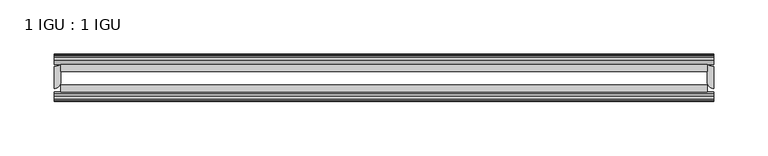
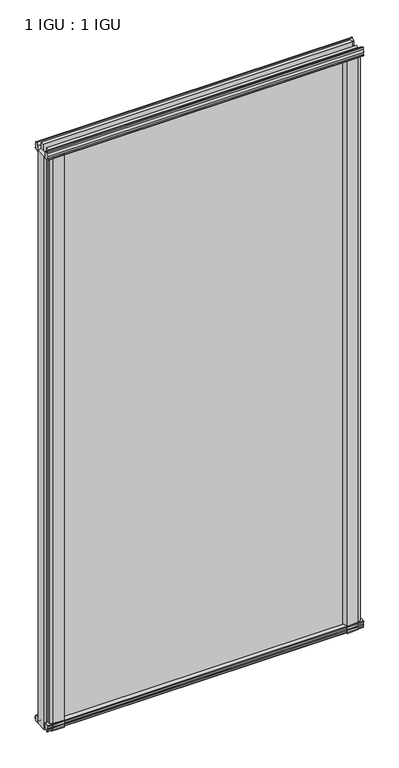
"""IFC4 building model written with IfcOpenShell, lengths in millimetres: plate geometry, 1 IGU : 1 IGU."""

from ifc_helpers import new_model, si_unit, point, frame, frame_2d, origin, place, context, project, spatial, polyline, circle_curve, trimmed, segment, composite_curve, outline, extrude, source, transform, mapped, element, save


def plate_1_igu_1_igu_d96a8cae(model_context):
    return source(origin(), model_context, "Body", "SweptSolid", [
        extrude(outline(composite_curve([segment(polyline([(-48.2151697, 1167.5411625), (-46.2339867, 1167.5411625), (-46.2339867, 1152.9057064), (-54.465925, 1154.0393419)]), True, "CONTINUOUS"), segment(trimmed(circle_curve(frame_2d((-54.3619697, 1154.7942176)), 0.762), [point((-54.465925, 1154.0393419))], [point((-55.1239697, 1154.7942176))], False, "CARTESIAN"), True, "CONTINUOUS"), segment(polyline([(-55.1239697, 1154.7942176), (-55.1239697, 1155.6539625), (-52.5839697, 1155.6539625), (-52.5839697, 1160.6069625), (-53.9897781, 1160.9836477), (-52.5839697, 1166.2301961), (-52.5839697, 1169.8779625), (-50.5519697, 1169.8779625)]), True, "CONTINUOUS"), segment(trimmed(circle_curve(frame_2d((-48.2151697, 1169.8779625)), 2.3368), [point((-50.5519697, 1169.8779625))], [point((-48.2151697, 1167.5411625))], True, "CARTESIAN"), True, "CONTINUOUS")], self_intersect=False)), frame((-304.8, 0.0, 0.0), z_axis=(1.0, 0.0, 0.0), x_axis=(0.0, 1.0, 0.0)), (0.0, 0.0, 1.0), 609.6),
        extrude(outline(composite_curve([segment(polyline([(-20.8339867, 1163.6867737), (-16.6539631, 1167.8667973)]), True, "CONTINUOUS"), segment(trimmed(circle_curve(frame_2d((-15.7559375, 1166.9687717)), 1.27), [point((-16.6539631, 1167.8667973))], [point((-14.4859375, 1166.9687717))], False, "CARTESIAN"), True, "CONTINUOUS"), segment(polyline([(-14.4859375, 1166.9687717), (-14.4859375, 1163.7937717), (-13.0066415, 1161.2098114), (-14.4859375, 1160.9489717), (-14.4859375, 1155.5387717), (-13.1830575, 1155.7226181)]), True, "CONTINUOUS"), segment(trimmed(circle_curve(frame_2d((-13.9271036, 1155.0307717)), 1.016), [point((-13.1830575, 1155.7226181))], [point((-13.7521472, 1154.0299489))], False, "CARTESIAN"), True, "CONTINUOUS"), segment(polyline([(-13.7521472, 1154.0299489), (-20.8339867, 1152.6630095), (-20.8339867, 1163.6867737)]), True, "CONTINUOUS")], self_intersect=False)), frame((-304.8, 0.0, 0.0), z_axis=(1.0, 0.0, 0.0), x_axis=(0.0, 1.0, 0.0)), (0.0, 0.0, 1.0), 609.6),
        extrude(outline(polyline([(-20.8359545, 1.2049602), (-14.4859375, -0.5127625), (-14.4859375, -5.7197625), (-12.1057405, -6.1007625), (-12.5656738, -4.6852334), (-11.7644596, -4.6852334), (-11.0569375, -6.8627625), (-11.7644596, -9.0402916), (-12.5656738, -9.0402916), (-12.1057405, -7.6247625), (-14.4859375, -8.0057625), (-14.4859375, -12.4507625), (-17.4323375, -12.4507625), (-20.8359545, -9.6164062), (-20.8359545, 1.2049602)])), frame((-304.8, 0.0, 0.0), z_axis=(1.0, 0.0, 0.0), x_axis=(0.0, 1.0, 0.0)), (0.0, 0.0, 1.0), 609.6),
        extrude(outline(composite_curve([segment(polyline([(-53.3197108, 1.6405709), (-46.2359545, 3.0078803), (-46.2359545, -8.014337), (-50.4178949, -12.1962775)]), True, "CONTINUOUS"), segment(trimmed(circle_curve(frame_2d((-51.3159205, -11.2982519)), 1.27), [point((-50.4178949, -12.1962775))], [point((-52.5859205, -11.2982519))], False, "CARTESIAN"), True, "CONTINUOUS"), segment(polyline([(-52.5859205, -11.2982519), (-52.5859205, -8.1232519), (-54.0652165, -5.5392917), (-52.5859205, -5.2784519), (-52.5859205, 0.1317481), (-53.8888005, -0.0520983)]), True, "CONTINUOUS"), segment(trimmed(circle_curve(frame_2d((-53.1447545, 0.6397481)), 1.016), [point((-53.8888005, -0.0520983))], [point((-53.3197108, 1.6405709))], False, "CARTESIAN"), True, "CONTINUOUS")], self_intersect=False)), frame((-304.8, 0.0, 0.0), z_axis=(1.0, 0.0, 0.0), x_axis=(0.0, 1.0, 0.0)), (0.0, 0.0, 1.0), 609.6),
        extrude(outline(composite_curve([segment(trimmed(circle_curve(frame_2d((-304.8, -10.4903061)), 12.1389698), [point((-304.8, -22.629276))], [point((-298.45, -20.8359375))], True, "CARTESIAN"), True, "CONTINUOUS"), segment(polyline([(-298.45, -20.8359375), (-298.45, -36.7109375)]), True, "CONTINUOUS"), segment(trimmed(circle_curve(frame_2d((-304.8, -36.7109375)), 6.35), [point((-298.45, -36.7109375))], [point((-304.8, -43.0609375))], False, "CARTESIAN"), True, "CONTINUOUS"), segment(polyline([(-304.8, -43.0609375), (-304.8, -22.629276)]), True, "CONTINUOUS")], self_intersect=False)), frame((0.0, 0.0, -12.7), z_axis=(0.0, 0.0, 1.0), x_axis=(1.0, 0.0, 0.0)), (0.0, 0.0, 1.0), 1168.3746),
        extrude(outline(composite_curve([segment(polyline([(-295.689414, -46.2359375), (-269.2454587, -46.2359375)]), True, "CONTINUOUS"), segment(trimmed(circle_curve(frame_2d((-258.1070291, -56.4589223)), 15.118665), [point((-269.2454587, -46.2359375))], [point((-273.05, -54.1607375))], True, "CARTESIAN"), True, "CONTINUOUS"), segment(polyline([(-273.05, -54.1607375), (-294.9360329, -52.904699), (-300.1918113, -50.6809375), (-300.1918113, -48.1409375), (-295.689414, -46.2359375)]), True, "CONTINUOUS")], self_intersect=False)), frame((0.0, 0.0, -12.7), z_axis=(0.0, 0.0, 1.0), x_axis=(1.0, 0.0, 0.0)), (0.0, 0.0, 1.0), 1168.3746),
        extrude(outline(composite_curve([segment(polyline([(304.8, -22.629276), (304.8, -43.0609375)]), True, "CONTINUOUS"), segment(trimmed(circle_curve(frame_2d((304.8, -36.7109375)), 6.35), [point((304.8, -43.0609375))], [point((298.45, -36.7109375))], False, "CARTESIAN"), True, "CONTINUOUS"), segment(polyline([(298.45, -36.7109375), (298.45, -20.8359375)]), True, "CONTINUOUS"), segment(trimmed(circle_curve(frame_2d((304.8, -10.4903061)), 12.1389698), [point((298.45, -20.8359375))], [point((304.8, -22.629276))], True, "CARTESIAN"), True, "CONTINUOUS")], self_intersect=False)), frame((0.0, 0.0, -12.6752823), z_axis=(0.0, 0.0, 1.0), x_axis=(1.0, 0.0, 0.0)), (0.0, 0.0, 1.0), 1168.3498823),
        extrude(outline(composite_curve([segment(polyline([(300.1918113, -50.6809375), (294.9360329, -52.904699), (273.05, -54.1607375)]), True, "CONTINUOUS"), segment(trimmed(circle_curve(frame_2d((258.1070291, -56.4589223)), 15.118665), [point((273.05, -54.1607375))], [point((269.2454587, -46.2359375))], True, "CARTESIAN"), True, "CONTINUOUS"), segment(polyline([(269.2454587, -46.2359375), (295.689414, -46.2359375), (300.1918113, -48.1409375), (300.1918113, -50.6809375)]), True, "CONTINUOUS")], self_intersect=False)), frame((0.0, 0.0, -12.6752823), z_axis=(0.0, 0.0, 1.0), x_axis=(1.0, 0.0, 0.0)), (0.0, 0.0, 1.0), 1168.3498823),
        extrude(outline(polyline([(298.45, -20.8359375), (298.45, -27.1859375), (-298.45, -27.1859375), (-298.45, -20.8359375), (298.45, -20.8359375)])), frame((0.0, 0.0, -12.6752823), z_axis=(0.0, 0.0, 1.0), x_axis=(1.0, 0.0, 0.0)), (0.0, 0.0, 1.0), 1181.0251645),
        extrude(outline(polyline([(-298.45, -46.2359375), (-298.45, -39.8859375), (298.45, -39.8859375), (298.45, -46.2359375), (-298.45, -46.2359375)])), frame((0.0, 0.0, -12.6752823), z_axis=(0.0, 0.0, 1.0), x_axis=(1.0, 0.0, 0.0)), (0.0, 0.0, 1.0), 1181.0251645),
    ])


if __name__ == "__main__":
    model = new_model("IFC4")
    model_context = context("Model", 3, world=origin())
    ifc_project = project(units=[si_unit("LENGTHUNIT", "METRE", prefix="MILLI")], contexts=[model_context])
    site = spatial("IfcSite", under=ifc_project)
    building = spatial("IfcBuilding", under=site)
    placement = place(None, origin())
    plate_1_igu_1_igu_shape = plate_1_igu_1_igu_d96a8cae(model_context)
    element("IfcPlate", 1, ObjectType="1 IGU : 1 IGU", at=placement, inside=building, context=model_context, shape_type="MappedRepresentation", body=[
        mapped(plate_1_igu_1_igu_shape, transform((0.0, 0.0, 0.0), x_axis=(1.0, 0.0, 0.0), y_axis=(0.0, 1.0, 0.0), z_axis=(0.0, 0.0, 1.0))),
    ])
    save(model, "model.ifc")
